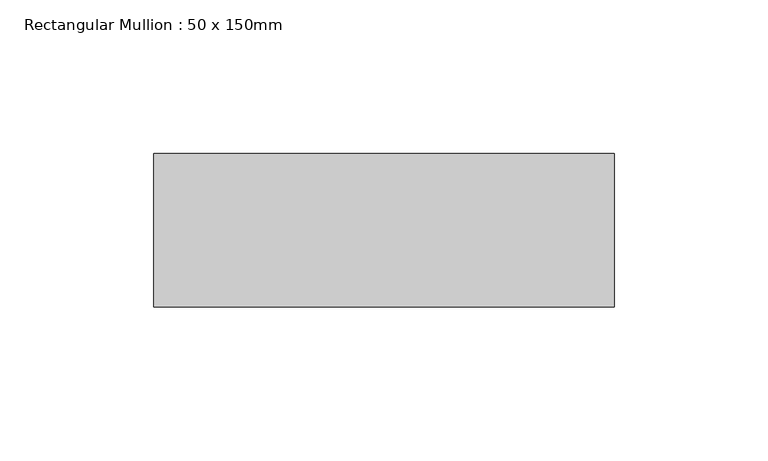
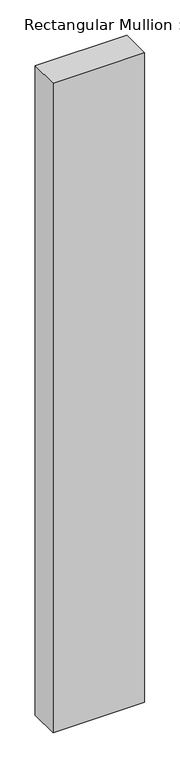
"""IFC4 building model written with IfcOpenShell, lengths in millimetres: member geometry, Rectangular Mullion : 50 x 150mm."""

import ifcopenshell
import ifcopenshell.guid

model = None  # the IFC model being written
_history = None  # IfcOwnerHistory: only IFC2X3 demands one
_inside = {}  # id of a spatial element -> (the spatial element, [elements in it])
_under = {}  # id of a project, library or spatial element -> (it, [spatial elements below it])
_declared = {}  # id of a project -> (the project, [libraries it declares])
_typed = {}  # id of a type object -> (the type object, [elements of that type])
_made_of = {}  # id of a material, layer set ... -> (it, [elements and type objects made of it])


def new_model(schema):
    """Start an empty IFC model of exactly this schema.

    Asked for "IFC4X3", IfcOpenShell would pick the latest addendum, in which some entities
    have other attributes; the version numbers below select the first issue.
    IFC2X3 requires an IfcOwnerHistory on every rooted entity: one is made here for all.
    """
    global model, _history
    if schema == "IFC4X3":
        model = ifcopenshell.file(schema_version=(4, 3, 0, 0))
    else:
        model = ifcopenshell.file(schema=schema)
    _inside.clear()
    _under.clear()
    _declared.clear()
    _typed.clear()
    _made_of.clear()
    _history = None
    if model.schema == "IFC2X3":
        org = make("IfcOrganization", Name="unknown")
        user = make(
            "IfcPersonAndOrganization",
            ThePerson=make("IfcPerson", FamilyName="unknown"),
            TheOrganization=org,
        )
        app = make(
            "IfcApplication",
            ApplicationDeveloper=org,
            Version="unknown",
            ApplicationFullName="unknown",
            ApplicationIdentifier="unknown",
        )
        _history = make(
            "IfcOwnerHistory",
            OwningUser=user,
            OwningApplication=app,
            ChangeAction="ADDED",
            CreationDate=0,
        )
    return model


def make(cls, **values):
    """One entity of the class cls with the attributes given. An attribute that is None is left unset."""
    return model.create_entity(
        cls, **{name: value for name, value in values.items() if value is not None}
    )


def rooted(cls, **values):
    """An entity with a GlobalId (a new one), such as an element, a storey or a relation."""
    return make(cls, GlobalId=ifcopenshell.guid.new(), OwnerHistory=_history, **values)


def si_unit(unit_type, name, prefix=None):
    """IfcSIUnit, for example si_unit("LENGTHUNIT", "METRE", prefix="MILLI")."""
    return make("IfcSIUnit", UnitType=unit_type, Prefix=prefix, Name=name)


def assignment(units):
    """IfcUnitAssignment: the units of a project."""
    return None if units is None else make("IfcUnitAssignment", Units=units)


def point(xyz):
    """IfcCartesianPoint."""
    return None if xyz is None else make("IfcCartesianPoint", Coordinates=xyz)


def direction(xyz):
    """IfcDirection."""
    return None if xyz is None else make("IfcDirection", DirectionRatios=xyz)


def frame(location, z_axis=None, x_axis=None):
    """IfcAxis2Placement3D, a coordinate frame: its origin and axes. An axis left out is left unset."""
    return make(
        "IfcAxis2Placement3D",
        Location=point(location),
        Axis=direction(z_axis),
        RefDirection=direction(x_axis),
    )


def origin():
    """The frame at (0, 0, 0) with its axes left unset."""
    return frame((0.0, 0.0, 0.0))


def place(relative_to, where):
    """IfcLocalPlacement: puts the frame where relative to a parent placement (None: the world)."""
    return make(
        "IfcLocalPlacement", PlacementRelTo=relative_to, RelativePlacement=where
    )


def context(
    kind, dimensions, precision=None, world=None, true_north=None, identifier=None
):
    """IfcGeometricRepresentationContext, for example the 3D "Model" context."""
    return make(
        "IfcGeometricRepresentationContext",
        ContextIdentifier=identifier,
        ContextType=kind,
        CoordinateSpaceDimension=dimensions,
        Precision=precision,
        WorldCoordinateSystem=world,
        TrueNorth=true_north,
    )


def project(units=None, contexts=None):
    """IfcProject with its units and contexts."""
    return rooted(
        "IfcProject",
        Name="project",
        RepresentationContexts=contexts,
        UnitsInContext=assignment(units),
    )


def spatial(cls, under=None, at=None, **own):
    """A site, building, storey or space (cls), placed at a placement, below another one or the project."""
    s = rooted(cls, ObjectPlacement=at, **own)
    if under is not None:
        _under.setdefault(under.id(), (under, []))[1].append(s)
    return s


def polyline(points):
    """IfcPolyline through the points."""
    return make("IfcPolyline", Points=[point(p) for p in points])


def outline(outer, holes=None, kind="AREA"):
    """IfcArbitraryClosedProfileDef: a profile drawn as a closed curve; with holes, ...WithVoids."""
    if holes is None:
        return make("IfcArbitraryClosedProfileDef", ProfileType=kind, OuterCurve=outer)
    return make(
        "IfcArbitraryProfileDefWithVoids",
        ProfileType=kind,
        OuterCurve=outer,
        InnerCurves=holes,
    )


def extrude(swept, where, along, depth):
    """IfcExtrudedAreaSolid: the profile swept, set in the frame where, extruded along a direction by depth."""
    return make(
        "IfcExtrudedAreaSolid",
        SweptArea=swept,
        Position=where,
        ExtrudedDirection=direction(along),
        Depth=depth,
    )


def shape(context_of_items, identifier, shape_type, items):
    """IfcShapeRepresentation: the items that make up one representation, for example the "Body"."""
    return make(
        "IfcShapeRepresentation",
        ContextOfItems=context_of_items,
        RepresentationIdentifier=identifier,
        RepresentationType=shape_type,
        Items=items,
    )


def source(mapping_origin, context_of_items, identifier, shape_type, items):
    """IfcRepresentationMap: a shape defined once, which mapped items show again and again."""
    return make(
        "IfcRepresentationMap",
        MappingOrigin=mapping_origin,
        MappedRepresentation=shape(context_of_items, identifier, shape_type, items),
    )


def transform(
    local_origin,
    x_axis=None,
    y_axis=None,
    z_axis=None,
    scale=None,
    scale2=None,
    scale3=None,
    uniform=True,
):
    """IfcCartesianTransformationOperator3D, or its non-uniform kind. x_axis, y_axis, z_axis: its Axis1, 2, 3."""
    if uniform:
        return make(
            "IfcCartesianTransformationOperator3D",
            Axis1=direction(x_axis),
            Axis2=direction(y_axis),
            LocalOrigin=point(local_origin),
            Scale=scale,
            Axis3=direction(z_axis),
        )
    return make(
        "IfcCartesianTransformationOperator3DnonUniform",
        Axis1=direction(x_axis),
        Axis2=direction(y_axis),
        LocalOrigin=point(local_origin),
        Scale=scale,
        Axis3=direction(z_axis),
        Scale2=scale2,
        Scale3=scale3,
    )


def mapped(mapping_source, mapping_target):
    """IfcMappedItem: shows the shape of a source again, moved by a transform."""
    return make(
        "IfcMappedItem", MappingSource=mapping_source, MappingTarget=mapping_target
    )


def made_of(thing, what):
    """Note that an element or type object is made of a material, layer set ...; save() writes the relation."""
    if what is not None:
        _made_of.setdefault(what.id(), (what, []))[1].append(thing)
    return thing


def element(
    cls,
    number,
    at=None,
    inside=None,
    cuts=None,
    type_object=None,
    material=None,
    context=None,
    identifier="Body",
    shape_type=None,
    held_by="IfcProductDefinitionShape",
    body=None,
    shapes=None,
    **own,
):
    """One element of the class cls, such as IfcWall. Its Tag is "e" and its number.

    at: its placement. inside: the storey or other place that contains it. cuts: it is an
    opening in that element (IfcRelVoidsElement). A single representation is given by context,
    identifier, shape_type and body (its items); several are given by shapes. held_by: the class
    of the entity that holds the representations. save() writes the other relations.
    """
    e = rooted(cls, Tag="e%d" % number, ObjectPlacement=at, **own)
    if body is not None:
        shapes = [shape(context, identifier, shape_type, body)]
    if shapes is not None:
        e.Representation = make(held_by, Representations=shapes)
    if inside is not None:
        _inside.setdefault(inside.id(), (inside, []))[1].append(e)
    if cuts is not None:
        rooted(
            "IfcRelVoidsElement", RelatingBuildingElement=cuts, RelatedOpeningElement=e
        )
    if type_object is not None:
        _typed.setdefault(type_object.id(), (type_object, []))[1].append(e)
    return made_of(e, material)


def aggregate(whole, parts):
    """IfcRelAggregates: a whole, such as a stair, and the parts it consists of."""
    return rooted("IfcRelAggregates", RelatingObject=whole, RelatedObjects=parts)


def save(model, path):
    """Write the relations noted so far, then the file.

    IfcRelAggregates (storeys below a building ...), IfcRelContainedInSpatialStructure (elements
    in a storey), IfcRelDefinesByType, IfcRelAssociatesMaterial and IfcRelDeclares: one each for
    every whole, place, type object, material and project.
    """
    for whole, parts in _under.values():
        aggregate(whole, parts)
    for where, things in _inside.values():
        rooted(
            "IfcRelContainedInSpatialStructure",
            RelatedElements=things,
            RelatingStructure=where,
        )
    for kind, things in _typed.values():
        rooted("IfcRelDefinesByType", RelatedObjects=things, RelatingType=kind)
    for what, things in _made_of.values():
        rooted("IfcRelAssociatesMaterial", RelatedObjects=things, RelatingMaterial=what)
    for by, libraries in _declared.values():
        rooted("IfcRelDeclares", RelatingContext=by, RelatedDefinitions=libraries)
    model.write(path)


def rectangular_mullion_50_x_150mm_bdae07c3(model_context):
    return source(origin(), model_context, "Body", "SweptSolid", [
        extrude(outline(polyline([(150.0, 50.0), (150.0, 0.0), (0.0, 0.0), (0.0, 50.0), (150.0, 50.0)])), frame((0.0, 0.0, -1121.0), z_axis=(0.0, 0.0, 1.0), x_axis=(1.0, 0.0, 0.0)), (0.0, 0.0, 1.0), 1121.0),
    ])


if __name__ == "__main__":
    model = new_model("IFC4")
    model_context = context("Model", 3, world=origin())
    ifc_project = project(units=[si_unit("LENGTHUNIT", "METRE", prefix="MILLI")], contexts=[model_context])
    site = spatial("IfcSite", under=ifc_project)
    building = spatial("IfcBuilding", under=site)
    placement = place(None, origin())
    rectangular_mullion_50_x_150mm_shape = rectangular_mullion_50_x_150mm_bdae07c3(model_context)
    element("IfcMember", 1, ObjectType="Rectangular Mullion : 50 x 150mm", at=placement, inside=building, context=model_context, shape_type="MappedRepresentation", body=[
        mapped(rectangular_mullion_50_x_150mm_shape, transform((0.0, 0.0, 0.0), x_axis=(1.0, 0.0, 0.0), y_axis=(0.0, 1.0, 0.0), z_axis=(0.0, 0.0, 1.0))),
    ])
    save(model, "model.ifc")
